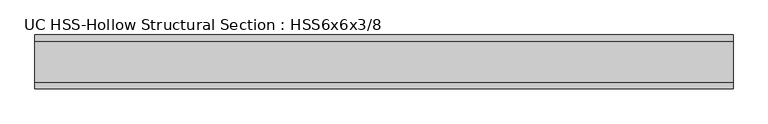
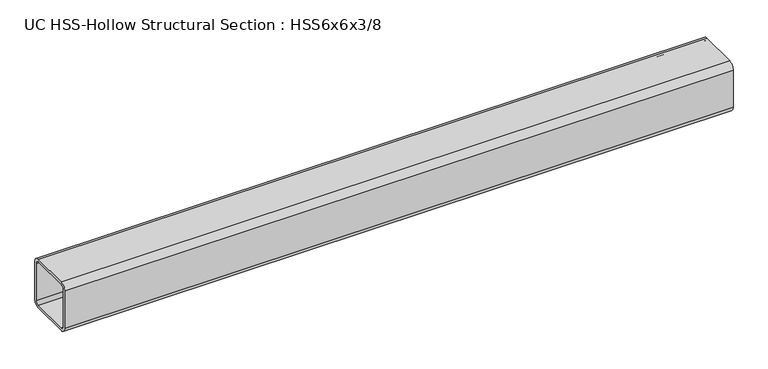
"""IFC4 building model written with IfcOpenShell, lengths in millimetres: beam geometry, UC HSS-Hollow Structural Section : HSS6x6x3/8."""

from ifc_helpers import new_model, si_unit, point, frame, frame_2d, origin, place, context, project, spatial, polyline, circle_curve, trimmed, segment, composite_curve, outline, extrude, source, transform, mapped, element, save


def uc_hss_hollow_structural_section_hss6x6x3_8_c8520f0b(model_context):
    return source(origin(), model_context, "Body", "SweptSolid", [
        extrude(outline(composite_curve([segment(polyline([(76.2, 58.4708), (76.2, -58.4708)]), True, "CONTINUOUS"), segment(trimmed(circle_curve(frame_2d((58.4708, -58.4708)), 17.7292), [point((76.2, -58.4708))], [point((58.4708, -76.2))], False, "CARTESIAN"), True, "CONTINUOUS"), segment(polyline([(58.4708, -76.2), (-58.4708, -76.2)]), True, "CONTINUOUS"), segment(trimmed(circle_curve(frame_2d((-58.4708, -58.4708)), 17.7292), [point((-58.4708, -76.2))], [point((-76.2, -58.4708))], False, "CARTESIAN"), True, "CONTINUOUS"), segment(polyline([(-76.2, -58.4708), (-76.2, 58.4708)]), True, "CONTINUOUS"), segment(trimmed(circle_curve(frame_2d((-58.4708, 58.4708)), 17.7292), [point((-76.2, 58.4708))], [point((-58.4708, 76.2))], False, "CARTESIAN"), True, "CONTINUOUS"), segment(polyline([(-58.4708, 76.2), (58.4708, 76.2)]), True, "CONTINUOUS"), segment(trimmed(circle_curve(frame_2d((58.4708, 58.4708)), 17.7292), [point((58.4708, 76.2))], [point((76.2, 58.4708))], False, "CARTESIAN"), True, "CONTINUOUS")], self_intersect=False), holes=[composite_curve([segment(trimmed(circle_curve(frame_2d((-58.4708, 58.4708)), 8.8646), [point((-58.4708, 67.3354))], [point((-67.3354, 58.4708))], True, "CARTESIAN"), True, "CONTINUOUS"), segment(polyline([(-67.3354, 58.4708), (-67.3354, -58.4708)]), True, "CONTINUOUS"), segment(trimmed(circle_curve(frame_2d((-58.4708, -58.4708)), 8.8646), [point((-67.3354, -58.4708))], [point((-58.4708, -67.3354))], True, "CARTESIAN"), True, "CONTINUOUS"), segment(polyline([(-58.4708, -67.3354), (58.4708, -67.3354)]), True, "CONTINUOUS"), segment(trimmed(circle_curve(frame_2d((58.4708, -58.4708)), 8.8646), [point((58.4708, -67.3354))], [point((67.3354, -58.4708))], True, "CARTESIAN"), True, "CONTINUOUS"), segment(polyline([(67.3354, -58.4708), (67.3354, 58.4708)]), True, "CONTINUOUS"), segment(trimmed(circle_curve(frame_2d((58.4708, 58.4708)), 8.8646), [point((67.3354, 58.4708))], [point((58.4708, 67.3354))], True, "CARTESIAN"), True, "CONTINUOUS"), segment(polyline([(58.4708, 67.3354), (-58.4708, 67.3354)]), True, "CONTINUOUS")], self_intersect=False)]), frame((-901.6127543, 0.0, 0.0), z_axis=(1.0, 0.0, 0.0), x_axis=(0.0, 1.0, 0.0)), (0.0, 0.0, 1.0), 1981.7154372),
    ])


if __name__ == "__main__":
    model = new_model("IFC4")
    model_context = context("Model", 3, world=origin())
    ifc_project = project(units=[si_unit("LENGTHUNIT", "METRE", prefix="MILLI")], contexts=[model_context])
    site = spatial("IfcSite", under=ifc_project)
    building = spatial("IfcBuilding", under=site)
    placement = place(None, origin())
    uc_hss_hollow_structural_section_hss6x6x3_8_shape = uc_hss_hollow_structural_section_hss6x6x3_8_c8520f0b(model_context)
    element("IfcBeam", 1, ObjectType="UC HSS-Hollow Structural Section : HSS6x6x3/8", at=placement, inside=building, context=model_context, shape_type="MappedRepresentation", body=[
        mapped(uc_hss_hollow_structural_section_hss6x6x3_8_shape, transform((0.0, 0.0, 0.0), x_axis=(1.0, 0.0, 0.0), y_axis=(0.0, 1.0, 0.0), z_axis=(0.0, 0.0, 1.0))),
    ])
    save(model, "model.ifc")
